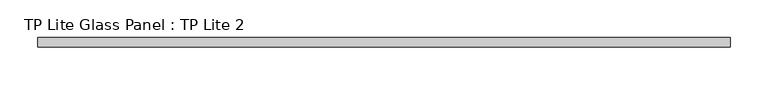
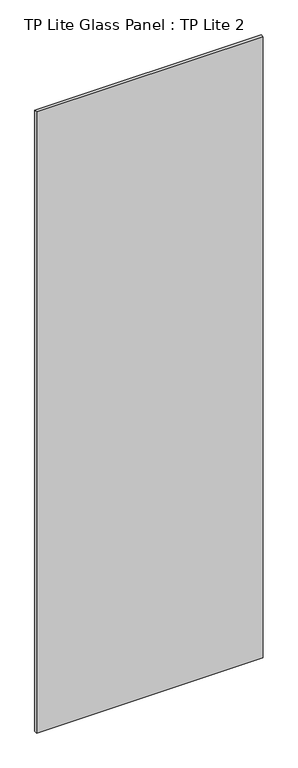
"""IFC4 building model written with IfcOpenShell, lengths in millimetres: plate geometry, TP Lite Glass Panel : TP Lite 2."""

from ifc_helpers import new_model, si_unit, origin, origin_with_axes, place, context, project, spatial, polyline, outline, extrude, source, transform, mapped, element, save


def tp_lite_glass_panel_tp_lite_2_f7c26244(model_context):
    return source(origin(), model_context, "Body", "SweptSolid", [
        extrude(outline(polyline([(455.75, 6.0), (455.75, -6.0), (-455.75, -6.0), (-455.75, 6.0), (455.75, 6.0)])), origin_with_axes(), (0.0, 0.0, 1.0), 2640.0000015),
    ])


if __name__ == "__main__":
    model = new_model("IFC4")
    model_context = context("Model", 3, world=origin())
    ifc_project = project(units=[si_unit("LENGTHUNIT", "METRE", prefix="MILLI")], contexts=[model_context])
    site = spatial("IfcSite", under=ifc_project)
    building = spatial("IfcBuilding", under=site)
    placement = place(None, origin())
    tp_lite_glass_panel_tp_lite_2_shape = tp_lite_glass_panel_tp_lite_2_f7c26244(model_context)
    element("IfcPlate", 1, ObjectType="TP Lite Glass Panel : TP Lite 2", at=placement, inside=building, context=model_context, shape_type="MappedRepresentation", body=[
        mapped(tp_lite_glass_panel_tp_lite_2_shape, transform((0.0, 0.0, 0.0), x_axis=(1.0, 0.0, 0.0), y_axis=(0.0, 1.0, 0.0), z_axis=(0.0, 0.0, 1.0))),
    ])
    save(model, "model.ifc")
